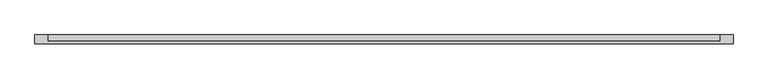
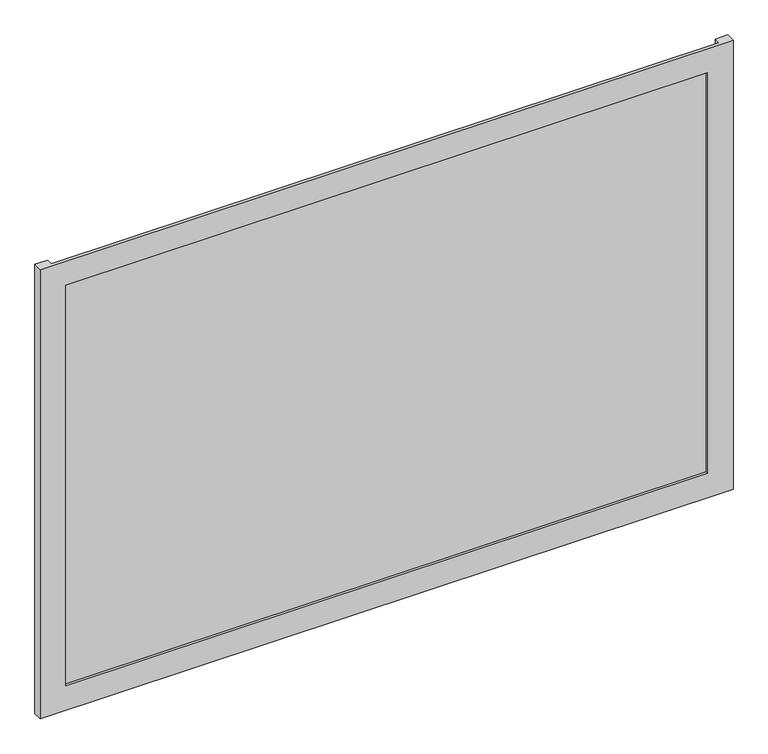
"""IFC4 building model written with IfcOpenShell, lengths in millimetres: plate geometry."""

from ifc_helpers import new_model, si_unit, origin, origin_with_axes, place, context, project, spatial, polyline, outline, extrude, faceted_brep, source, transform, mapped, element, save


def plate_ffbf34ee(model_context):
    return source(origin(), model_context, "Body", "SolidModel", [
        faceted_brep([(675.0, -50.8, -50.0), (675.0, -68.2, -50.0), (-675.0, -68.2, -50.0), (-675.0, -50.8, -50.0), (-650.0, -50.8, -50.0), (-650.0, -63.2, -50.0), (650.0, -63.2, -50.0), (650.0, -50.8, -50.0), (625.0, -68.2, 0.0), (625.0, -63.2, 0.0), (-625.0, -63.2, 0.0), (-625.0, -68.2, 0.0), (675.0, -68.2, 875.0), (-675.0, -68.2, 875.0), (-625.0, -68.2, 825.0), (625.0, -68.2, 825.0), (-650.0, -63.2, 875.0), (650.0, -63.2, 875.0), (625.0, -63.2, 825.0), (-625.0, -63.2, 825.0), (675.0, -50.8, 875.0), (650.0, -50.8, 875.0), (-650.0, -50.8, 875.0), (-675.0, -50.8, 875.0)], [[[0, 1, 2, 3, 4, 5, 6, 7]], [[8, 9, 10, 11]], [[12, 13, 2, 1], [11, 14, 15, 8]], [[16, 17, 6, 5], [9, 18, 19, 10]], [[20, 21, 17, 16, 22, 23, 13, 12]], [[20, 0, 7, 21]], [[21, 7, 6, 17]], [[8, 15, 18, 9]], [[12, 1, 0, 20]], [[22, 4, 3, 23]], [[16, 5, 4, 22]], [[10, 19, 14, 11]], [[23, 3, 2, 13]], [[18, 15, 14, 19]]]),
        extrude(outline(polyline([(650.0, -50.8), (650.0, -63.2), (-650.0, -63.2), (-650.0, -50.8), (650.0, -50.8)])), origin_with_axes(), (0.0, 0.0, 1.0), 825.0),
    ])


if __name__ == "__main__":
    model = new_model("IFC4")
    model_context = context("Model", 3, world=origin())
    ifc_project = project(units=[si_unit("LENGTHUNIT", "METRE", prefix="MILLI")], contexts=[model_context])
    site = spatial("IfcSite", under=ifc_project)
    building = spatial("IfcBuilding", under=site)
    placement = place(None, origin())
    plate_shape = plate_ffbf34ee(model_context)
    element("IfcPlate", 1, at=placement, inside=building, context=model_context, shape_type="MappedRepresentation", body=[
        mapped(plate_shape, transform((0.0, 0.0, 0.0), x_axis=(1.0, 0.0, 0.0), y_axis=(0.0, 1.0, 0.0), z_axis=(0.0, 0.0, 1.0))),
    ])
    save(model, "model.ifc")
